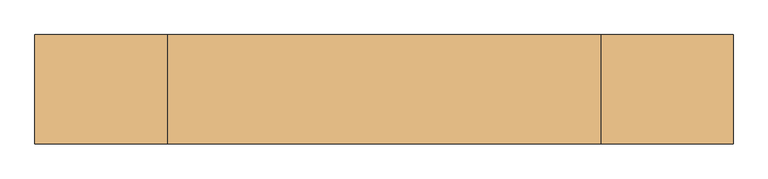
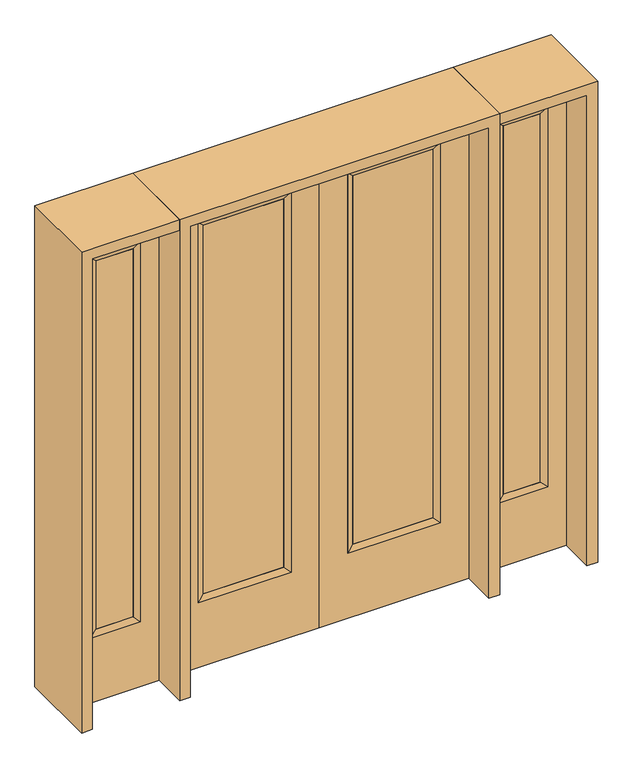
"""IFC4 building model written with IfcOpenShell, lengths in millimetres: door geometry."""

from ifc_helpers import new_model, si_unit, frame, origin, place, context, project, spatial, polyline, outline, extrude, faceted_brep, source, transform, mapped, element, save


def door_9fcb5167(model_context):
    return source(origin(), model_context, "Body", "SolidModel", [
        extrude(outline(polyline([(140.8176, -12.7039749), (140.8176, 14.2875), (468.7824, 14.2875), (468.7824, -12.7039749), (140.8176, -12.7039749)])), frame((0.0, 0.0, 304.8), z_axis=(0.0, 0.0, 1.0), x_axis=(1.0, 0.0, 0.0)), (0.0, 0.0, 1.0), 1590.675),
        faceted_brep([(140.8176, 14.2875, 1895.475), (140.8176, 14.2875, 304.8), (115.4176, 22.225, 279.4), (115.4176, 22.225, 1920.875), (115.4176, -22.225, 279.4), (115.4176, -22.225, 1920.875), (468.7824, 14.2875, 304.8), (494.1824, 22.225, 279.4), (140.8176, -12.7039749, 1895.475), (140.8176, -12.7039749, 304.8), (468.7824, -12.7039749, 304.8), (494.1824, -22.225, 279.4), (468.7824, 14.2875, 1895.475), (494.1824, 22.225, 1920.875), (468.7824, -12.7039749, 1895.475), (494.1824, -22.225, 1920.875)], [[[0, 1, 2, 3]], [[3, 2, 4, 5]], [[1, 6, 7, 2]], [[8, 9, 1, 0]], [[9, 10, 6, 1]], [[5, 4, 9, 8]], [[4, 11, 10, 9]], [[2, 7, 11, 4]], [[6, 12, 13, 7]], [[10, 14, 12, 6]], [[11, 15, 14, 10]], [[7, 13, 15, 11]], [[12, 0, 3, 13]], [[14, 8, 0, 12]], [[15, 5, 8, 14]], [[13, 3, 5, 15]]]),
        extrude(outline(polyline([(0.0, 609.6), (2032.0, 609.6), (2032.0, 0.0), (0.0, 0.0), (0.0, 609.6)]), holes=[polyline([(279.4, 494.1824), (279.4, 115.4176), (1920.875, 115.4176), (1920.875, 494.1824), (279.4, 494.1824)])]), frame((0.0, -22.225, 0.0), z_axis=(0.0, 1.0, 0.0), x_axis=(0.0, 0.0, 1.0)), (0.0, 0.0, 1.0), 44.45),
        extrude(outline(polyline([(-140.8176, -12.7039749), (-468.7824, -12.7039749), (-468.7824, 14.2875), (-140.8176, 14.2875), (-140.8176, -12.7039749)])), frame((0.0, 0.0, 304.8), z_axis=(0.0, 0.0, 1.0), x_axis=(1.0, 0.0, 0.0)), (0.0, 0.0, 1.0), 1590.675),
        faceted_brep([(-140.8176, 14.2875, 1895.475), (-115.4176, 22.225, 1920.875), (-115.4176, 22.225, 279.4), (-140.8176, 14.2875, 304.8), (-115.4176, -22.225, 1920.875), (-115.4176, -22.225, 279.4), (-494.1824, 22.225, 279.4), (-468.7824, 14.2875, 304.8), (-140.8176, -12.7039749, 1895.475), (-140.8176, -12.7039749, 304.8), (-468.7824, -12.7039749, 304.8), (-494.1824, -22.225, 279.4), (-494.1824, 22.225, 1920.875), (-468.7824, 14.2875, 1895.475), (-468.7824, -12.7039749, 1895.475), (-494.1824, -22.225, 1920.875)], [[[0, 1, 2, 3]], [[1, 4, 5, 2]], [[3, 2, 6, 7]], [[8, 0, 3, 9]], [[9, 3, 7, 10]], [[4, 8, 9, 5]], [[5, 9, 10, 11]], [[2, 5, 11, 6]], [[7, 6, 12, 13]], [[10, 7, 13, 14]], [[11, 10, 14, 15]], [[6, 11, 15, 12]], [[13, 12, 1, 0]], [[14, 13, 0, 8]], [[15, 14, 8, 4]], [[12, 15, 4, 1]]]),
        extrude(outline(polyline([(0.0, -609.6), (0.0, 0.0), (2032.0, 0.0), (2032.0, -609.6), (0.0, -609.6)]), holes=[polyline([(279.4, -494.1824), (1920.875, -494.1824), (1920.875, -115.4176), (279.4, -115.4176), (279.4, -494.1824)])]), frame((0.0, -22.225, 0.0), z_axis=(0.0, 1.0, 0.0), x_axis=(0.0, 0.0, 1.0)), (0.0, 0.0, 1.0), 44.45),
        faceted_brep([(730.25, 20.6375, 1920.875), (730.25, 20.6375, 279.4), (730.25, -20.6375, 279.4), (730.25, -20.6375, 1920.875), (755.65, -12.7, 304.8), (755.65, -12.7, 1895.475), (933.45, 20.6375, 279.4), (933.45, -20.6375, 279.4), (755.65, 12.7, 1895.475), (755.65, 12.7, 304.8), (908.05, 12.7, 304.8), (908.05, -12.7, 304.8), (933.45, 20.6375, 1920.875), (933.45, -20.6375, 1920.875), (908.05, 12.7, 1895.475), (908.05, -12.7, 1895.475)], [[[0, 1, 2, 3]], [[3, 2, 4, 5]], [[1, 6, 7, 2]], [[8, 9, 1, 0]], [[9, 10, 6, 1]], [[5, 4, 9, 8]], [[4, 11, 10, 9]], [[2, 7, 11, 4]], [[6, 12, 13, 7]], [[10, 14, 12, 6]], [[11, 15, 14, 10]], [[7, 13, 15, 11]], [[12, 0, 3, 13]], [[14, 8, 0, 12]], [[15, 5, 8, 14]], [[13, 3, 5, 15]]]),
        extrude(outline(polyline([(0.0, 1009.65), (2032.0, 1009.65), (2032.0, 654.05), (0.0, 654.05), (0.0, 1009.65)]), holes=[polyline([(1920.875, 730.25), (1920.875, 933.45), (279.4, 933.45), (279.4, 730.25), (1920.875, 730.25)])]), frame((0.0, -20.6375, 0.0), z_axis=(0.0, 1.0, 0.0), x_axis=(0.0, 0.0, 1.0)), (0.0, 0.0, 1.0), 41.275),
        extrude(outline(polyline([(755.65, -12.7), (755.65, 12.7), (908.05, 12.7), (908.05, -12.7), (755.65, -12.7)])), frame((0.0, 0.0, 304.8), z_axis=(0.0, 0.0, 1.0), x_axis=(1.0, 0.0, 0.0)), (0.0, 0.0, 1.0), 1590.675),
        faceted_brep([(-730.25, 20.6375, 1920.875), (-730.25, -20.6375, 1920.875), (-730.25, -20.6375, 279.4), (-730.25, 20.6375, 279.4), (-755.65, -12.7, 1895.475), (-755.65, -12.7, 304.8), (-933.45, -20.6375, 279.4), (-933.45, 20.6375, 279.4), (-755.65, 12.7, 1895.475), (-755.65, 12.7, 304.8), (-908.05, 12.7, 304.8), (-908.05, -12.7, 304.8), (-933.45, -20.6375, 1920.875), (-933.45, 20.6375, 1920.875), (-908.05, 12.7, 1895.475), (-908.05, -12.7, 1895.475)], [[[0, 1, 2, 3]], [[1, 4, 5, 2]], [[3, 2, 6, 7]], [[8, 0, 3, 9]], [[9, 3, 7, 10]], [[4, 8, 9, 5]], [[5, 9, 10, 11]], [[2, 5, 11, 6]], [[7, 6, 12, 13]], [[10, 7, 13, 14]], [[11, 10, 14, 15]], [[6, 11, 15, 12]], [[13, 12, 1, 0]], [[14, 13, 0, 8]], [[15, 14, 8, 4]], [[12, 15, 4, 1]]]),
        extrude(outline(polyline([(0.0, -1009.65), (0.0, -654.05), (2032.0, -654.05), (2032.0, -1009.65), (0.0, -1009.65)]), holes=[polyline([(1920.875, -730.25), (279.4, -730.25), (279.4, -933.45), (1920.875, -933.45), (1920.875, -730.25)])]), frame((0.0, -20.6375, 0.0), z_axis=(0.0, 1.0, 0.0), x_axis=(0.0, 0.0, 1.0)), (0.0, 0.0, 1.0), 41.275),
        extrude(outline(polyline([(-755.65, -12.7), (-908.05, -12.7), (-908.05, 12.7), (-755.65, 12.7), (-755.65, -12.7)])), frame((0.0, 0.0, 304.8), z_axis=(0.0, 0.0, 1.0), x_axis=(1.0, 0.0, 0.0)), (0.0, 0.0, 1.0), 1590.675),
        extrude(outline(polyline([(2032.0, -654.05), (2076.45, -654.05), (2076.45, -1054.1), (0.0, -1054.1), (0.0, -1009.65), (2032.0, -1009.65), (2032.0, -654.05)])), frame((0.0, -165.1, 0.0), z_axis=(0.0, 1.0, 0.0), x_axis=(0.0, 0.0, 1.0)), (0.0, 0.0, 1.0), 330.2),
        extrude(outline(polyline([(2076.45, -654.05), (0.0, -654.05), (0.0, -609.6), (2032.0, -609.6), (2032.0, 609.6), (0.0, 609.6), (0.0, 654.05), (2076.45, 654.05), (2076.45, -654.05)])), frame((0.0, -165.1, 0.0), z_axis=(0.0, 1.0, 0.0), x_axis=(0.0, 0.0, 1.0)), (0.0, 0.0, 1.0), 330.2),
        extrude(outline(polyline([(0.0, 1009.65), (0.0, 1054.1), (2076.45, 1054.1), (2076.45, 654.05), (2032.0, 654.05), (2032.0, 1009.65), (0.0, 1009.65)])), frame((0.0, -165.1, 0.0), z_axis=(0.0, 1.0, 0.0), x_axis=(0.0, 0.0, 1.0)), (0.0, 0.0, 1.0), 330.2),
    ])


if __name__ == "__main__":
    model = new_model("IFC4")
    model_context = context("Model", 3, world=origin())
    ifc_project = project(units=[si_unit("LENGTHUNIT", "METRE", prefix="MILLI")], contexts=[model_context])
    site = spatial("IfcSite", under=ifc_project)
    building = spatial("IfcBuilding", under=site)
    placement = place(None, origin())
    door_shape = door_9fcb5167(model_context)
    element("IfcDoor", 1, at=placement, inside=building, context=model_context, shape_type="MappedRepresentation", body=[
        mapped(door_shape, transform((0.0, 0.0, 0.0), x_axis=(1.0, 0.0, 0.0), y_axis=(0.0, 1.0, 0.0), z_axis=(0.0, 0.0, 1.0))),
    ])
    save(model, "model.ifc")
